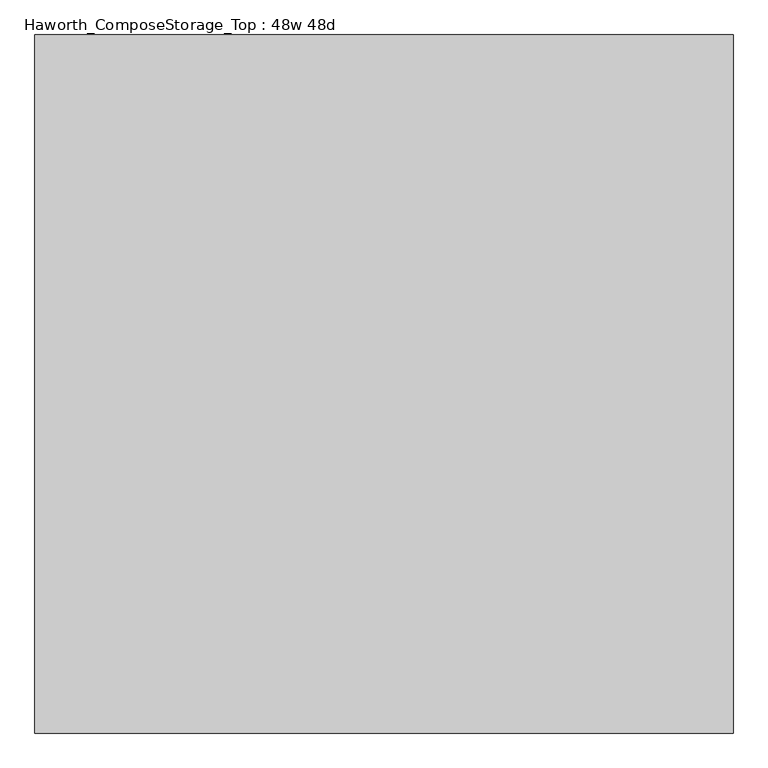
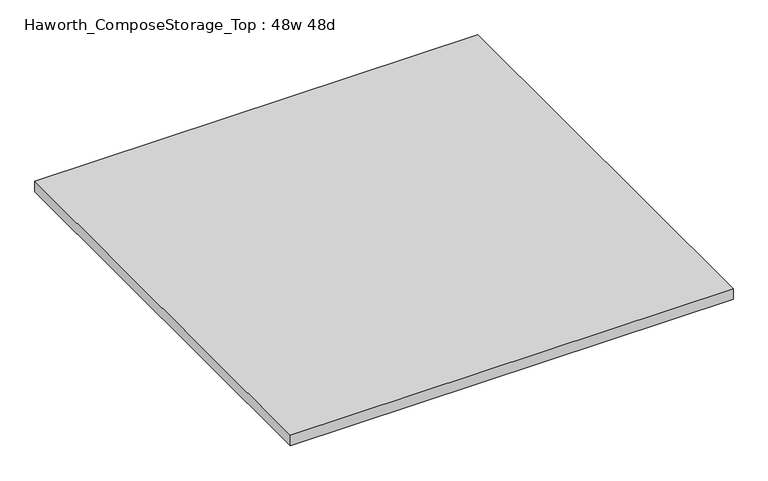
"""IFC4 building model written with IfcOpenShell, lengths in millimetres: furniture geometry, Haworth_ComposeStorage_Top : 48w 48d."""

from ifc_helpers import new_model, si_unit, frame, origin, place, context, project, spatial, polyline, outline, extrude, source, transform, mapped, element, save


def haworth_composestorage_top_48w_48d_6fb6c927(model_context):
    return source(origin(), model_context, "Body", "SweptSolid", [
        extrude(outline(polyline([(609.6, 609.6), (609.6, -609.6), (-609.6, -609.6), (-609.6, 609.6), (609.6, 609.6)])), frame((0.0, 0.0, 706.4375), z_axis=(0.0, 0.0, 1.0), x_axis=(1.0, 0.0, 0.0)), (0.0, 0.0, 1.0), 30.1625),
    ])


if __name__ == "__main__":
    model = new_model("IFC4")
    model_context = context("Model", 3, world=origin())
    ifc_project = project(units=[si_unit("LENGTHUNIT", "METRE", prefix="MILLI")], contexts=[model_context])
    site = spatial("IfcSite", under=ifc_project)
    building = spatial("IfcBuilding", under=site)
    placement = place(None, origin())
    haworth_composestorage_top_48w_48d_shape = haworth_composestorage_top_48w_48d_6fb6c927(model_context)
    element("IfcFurniture", 1, ObjectType="Haworth_ComposeStorage_Top : 48w 48d", at=placement, inside=building, context=model_context, shape_type="MappedRepresentation", body=[
        mapped(haworth_composestorage_top_48w_48d_shape, transform((0.0, 0.0, 0.0), x_axis=(1.0, 0.0, 0.0), y_axis=(0.0, 1.0, 0.0), z_axis=(0.0, 0.0, 1.0))),
    ])
    save(model, "model.ifc")
